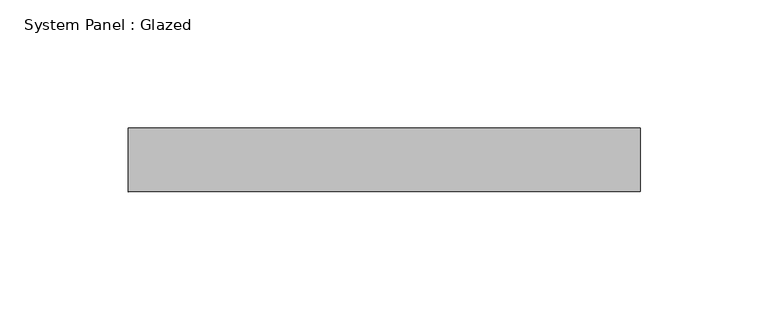
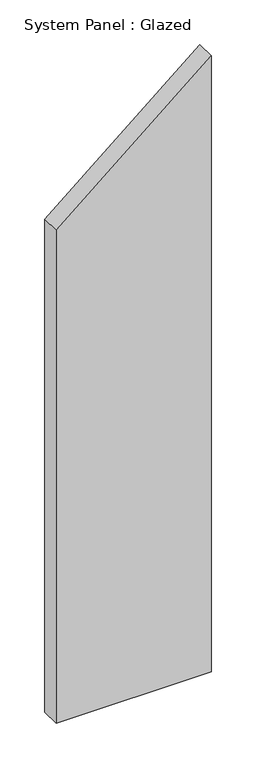
"""IFC4 building model written with IfcOpenShell, lengths in millimetres: plate geometry, System Panel : Glazed."""

from ifc_helpers import new_model, si_unit, frame, origin, place, context, project, spatial, polyline, outline, extrude, source, transform, mapped, element, save


def system_panel_glazed_1fba622e(model_context):
    return source(origin(), model_context, "Body", "SweptSolid", [
        extrude(outline(polyline([(0.0, -100.0), (0.0, 100.0), (839.0996314, 100.0), (671.2797052, -100.0), (0.0, -100.0)])), frame((0.0, 24.5, 0.0), z_axis=(0.0, 1.0, 0.0), x_axis=(0.0, 0.0, 1.0)), (0.0, 0.0, 1.0), 25.0),
    ])


if __name__ == "__main__":
    model = new_model("IFC4")
    model_context = context("Model", 3, world=origin())
    ifc_project = project(units=[si_unit("LENGTHUNIT", "METRE", prefix="MILLI")], contexts=[model_context])
    site = spatial("IfcSite", under=ifc_project)
    building = spatial("IfcBuilding", under=site)
    placement = place(None, origin())
    system_panel_glazed_shape = system_panel_glazed_1fba622e(model_context)
    element("IfcPlate", 1, ObjectType="System Panel : Glazed", at=placement, inside=building, context=model_context, shape_type="MappedRepresentation", body=[
        mapped(system_panel_glazed_shape, transform((0.0, 0.0, 0.0), x_axis=(1.0, 0.0, 0.0), y_axis=(0.0, 1.0, 0.0), z_axis=(0.0, 0.0, 1.0))),
    ])
    save(model, "model.ifc")
